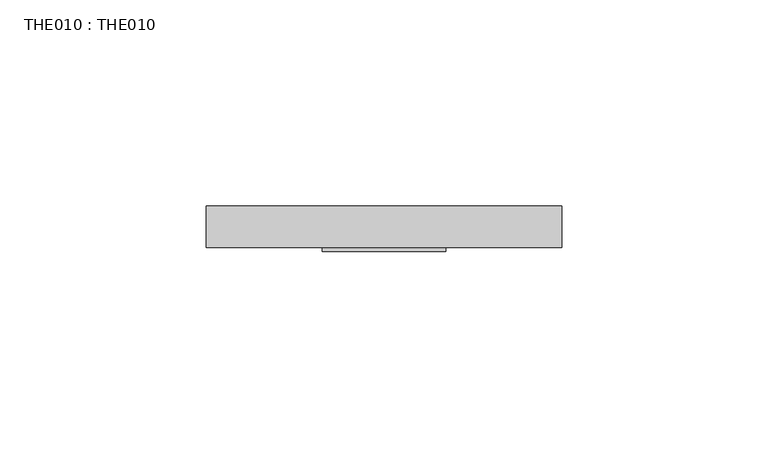
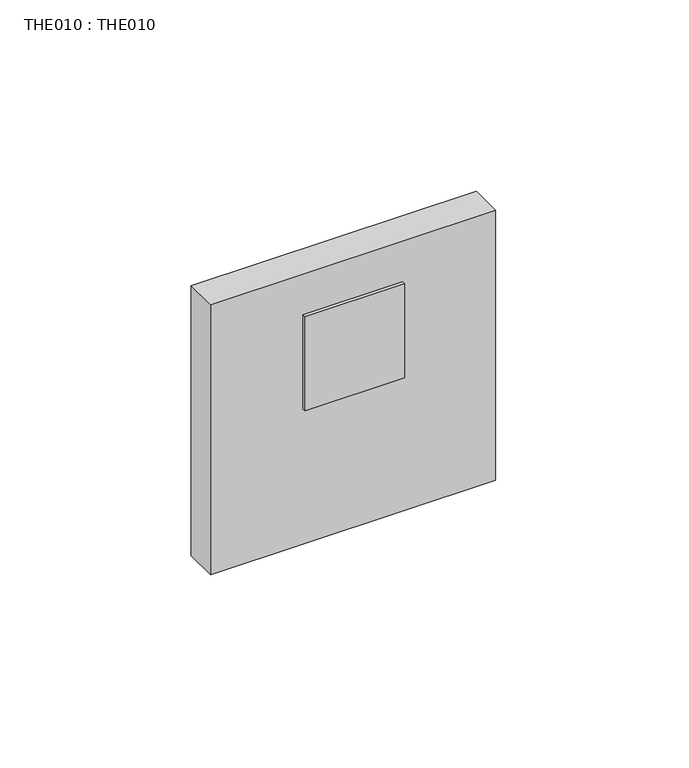
"""IFC4 building model written with IfcOpenShell, lengths in millimetres: proxy geometry, THE010 : THE010."""

from ifc_helpers import new_model, si_unit, frame, origin, origin_with_axes, place, context, project, spatial, polyline, outline, extrude, source, transform, mapped, element, save


def the010_the010_74c99dc6(model_context):
    return source(origin(), model_context, "Body", "SweptSolid", [
        extrude(outline(polyline([(15.0, -11.0), (-15.0, -11.0), (-15.0, -10.0000005), (15.0, -10.0000005), (15.0, -11.0)])), origin_with_axes(), (0.0, 0.0, 1.0), 30.0),
        extrude(outline(polyline([(43.0000007, 0.0), (43.0000007, -10.0000005), (-43.0000007, -10.0000005), (-43.0000007, 0.0), (43.0000007, 0.0)])), frame((0.0, 0.0, -43.0000007), z_axis=(0.0, 0.0, 1.0), x_axis=(1.0, 0.0, 0.0)), (0.0, 0.0, 1.0), 86.0000014),
    ])


if __name__ == "__main__":
    model = new_model("IFC4")
    model_context = context("Model", 3, world=origin())
    ifc_project = project(units=[si_unit("LENGTHUNIT", "METRE", prefix="MILLI")], contexts=[model_context])
    site = spatial("IfcSite", under=ifc_project)
    building = spatial("IfcBuilding", under=site)
    placement = place(None, origin())
    the010_the010_shape = the010_the010_74c99dc6(model_context)
    element("IfcBuildingElementProxy", 1, Name="THE010 : THE010", ObjectType="THE010 : THE010", at=placement, inside=building, context=model_context, shape_type="MappedRepresentation", body=[
        mapped(the010_the010_shape, transform((0.0, 0.0, 0.0), x_axis=(1.0, 0.0, 0.0), y_axis=(0.0, 1.0, 0.0), z_axis=(0.0, 0.0, 1.0))),
    ])
    save(model, "model.ifc")
